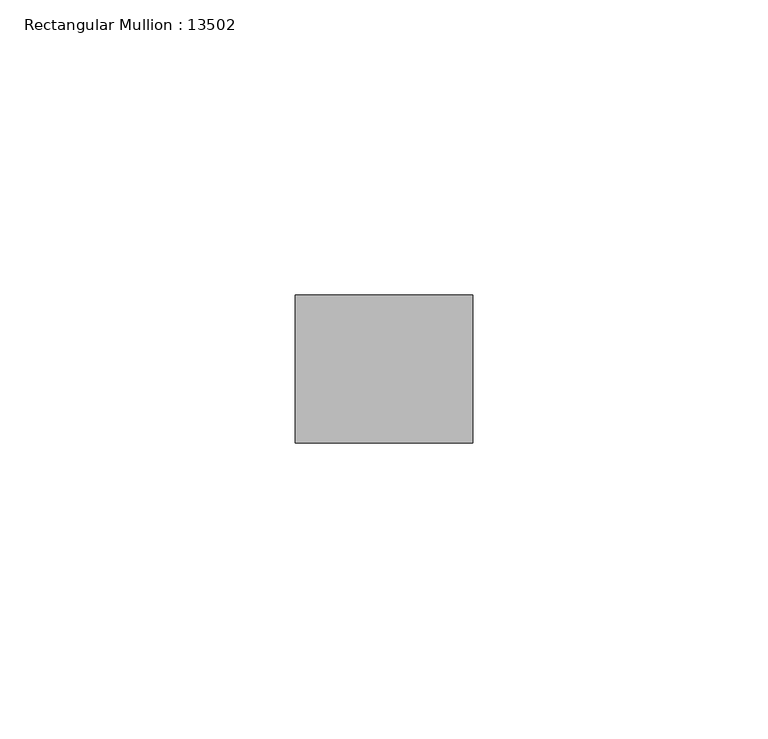
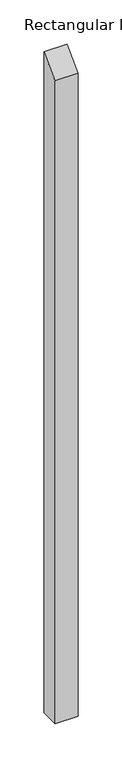
"""IFC4 building model written with IfcOpenShell, lengths in millimetres: member geometry, Rectangular Mullion : 13502."""

import ifcopenshell
import ifcopenshell.guid

model = None  # the IFC model being written
_history = None  # IfcOwnerHistory: only IFC2X3 demands one
_inside = {}  # id of a spatial element -> (the spatial element, [elements in it])
_under = {}  # id of a project, library or spatial element -> (it, [spatial elements below it])
_declared = {}  # id of a project -> (the project, [libraries it declares])
_typed = {}  # id of a type object -> (the type object, [elements of that type])
_made_of = {}  # id of a material, layer set ... -> (it, [elements and type objects made of it])


def new_model(schema):
    """Start an empty IFC model of exactly this schema.

    Asked for "IFC4X3", IfcOpenShell would pick the latest addendum, in which some entities
    have other attributes; the version numbers below select the first issue.
    IFC2X3 requires an IfcOwnerHistory on every rooted entity: one is made here for all.
    """
    global model, _history
    if schema == "IFC4X3":
        model = ifcopenshell.file(schema_version=(4, 3, 0, 0))
    else:
        model = ifcopenshell.file(schema=schema)
    _inside.clear()
    _under.clear()
    _declared.clear()
    _typed.clear()
    _made_of.clear()
    _history = None
    if model.schema == "IFC2X3":
        org = make("IfcOrganization", Name="unknown")
        user = make(
            "IfcPersonAndOrganization",
            ThePerson=make("IfcPerson", FamilyName="unknown"),
            TheOrganization=org,
        )
        app = make(
            "IfcApplication",
            ApplicationDeveloper=org,
            Version="unknown",
            ApplicationFullName="unknown",
            ApplicationIdentifier="unknown",
        )
        _history = make(
            "IfcOwnerHistory",
            OwningUser=user,
            OwningApplication=app,
            ChangeAction="ADDED",
            CreationDate=0,
        )
    return model


def make(cls, **values):
    """One entity of the class cls with the attributes given. An attribute that is None is left unset."""
    return model.create_entity(
        cls, **{name: value for name, value in values.items() if value is not None}
    )


def rooted(cls, **values):
    """An entity with a GlobalId (a new one), such as an element, a storey or a relation."""
    return make(cls, GlobalId=ifcopenshell.guid.new(), OwnerHistory=_history, **values)


def si_unit(unit_type, name, prefix=None):
    """IfcSIUnit, for example si_unit("LENGTHUNIT", "METRE", prefix="MILLI")."""
    return make("IfcSIUnit", UnitType=unit_type, Prefix=prefix, Name=name)


def assignment(units):
    """IfcUnitAssignment: the units of a project."""
    return None if units is None else make("IfcUnitAssignment", Units=units)


def point(xyz):
    """IfcCartesianPoint."""
    return None if xyz is None else make("IfcCartesianPoint", Coordinates=xyz)


def direction(xyz):
    """IfcDirection."""
    return None if xyz is None else make("IfcDirection", DirectionRatios=xyz)


def frame(location, z_axis=None, x_axis=None):
    """IfcAxis2Placement3D, a coordinate frame: its origin and axes. An axis left out is left unset."""
    return make(
        "IfcAxis2Placement3D",
        Location=point(location),
        Axis=direction(z_axis),
        RefDirection=direction(x_axis),
    )


def origin():
    """The frame at (0, 0, 0) with its axes left unset."""
    return frame((0.0, 0.0, 0.0))


def place(relative_to, where):
    """IfcLocalPlacement: puts the frame where relative to a parent placement (None: the world)."""
    return make(
        "IfcLocalPlacement", PlacementRelTo=relative_to, RelativePlacement=where
    )


def context(
    kind, dimensions, precision=None, world=None, true_north=None, identifier=None
):
    """IfcGeometricRepresentationContext, for example the 3D "Model" context."""
    return make(
        "IfcGeometricRepresentationContext",
        ContextIdentifier=identifier,
        ContextType=kind,
        CoordinateSpaceDimension=dimensions,
        Precision=precision,
        WorldCoordinateSystem=world,
        TrueNorth=true_north,
    )


def project(units=None, contexts=None):
    """IfcProject with its units and contexts."""
    return rooted(
        "IfcProject",
        Name="project",
        RepresentationContexts=contexts,
        UnitsInContext=assignment(units),
    )


def spatial(cls, under=None, at=None, **own):
    """A site, building, storey or space (cls), placed at a placement, below another one or the project."""
    s = rooted(cls, ObjectPlacement=at, **own)
    if under is not None:
        _under.setdefault(under.id(), (under, []))[1].append(s)
    return s


def polyline(points):
    """IfcPolyline through the points."""
    return make("IfcPolyline", Points=[point(p) for p in points])


def outline(outer, holes=None, kind="AREA"):
    """IfcArbitraryClosedProfileDef: a profile drawn as a closed curve; with holes, ...WithVoids."""
    if holes is None:
        return make("IfcArbitraryClosedProfileDef", ProfileType=kind, OuterCurve=outer)
    return make(
        "IfcArbitraryProfileDefWithVoids",
        ProfileType=kind,
        OuterCurve=outer,
        InnerCurves=holes,
    )


def extrude(swept, where, along, depth):
    """IfcExtrudedAreaSolid: the profile swept, set in the frame where, extruded along a direction by depth."""
    return make(
        "IfcExtrudedAreaSolid",
        SweptArea=swept,
        Position=where,
        ExtrudedDirection=direction(along),
        Depth=depth,
    )


def shape(context_of_items, identifier, shape_type, items):
    """IfcShapeRepresentation: the items that make up one representation, for example the "Body"."""
    return make(
        "IfcShapeRepresentation",
        ContextOfItems=context_of_items,
        RepresentationIdentifier=identifier,
        RepresentationType=shape_type,
        Items=items,
    )


def source(mapping_origin, context_of_items, identifier, shape_type, items):
    """IfcRepresentationMap: a shape defined once, which mapped items show again and again."""
    return make(
        "IfcRepresentationMap",
        MappingOrigin=mapping_origin,
        MappedRepresentation=shape(context_of_items, identifier, shape_type, items),
    )


def transform(
    local_origin,
    x_axis=None,
    y_axis=None,
    z_axis=None,
    scale=None,
    scale2=None,
    scale3=None,
    uniform=True,
):
    """IfcCartesianTransformationOperator3D, or its non-uniform kind. x_axis, y_axis, z_axis: its Axis1, 2, 3."""
    if uniform:
        return make(
            "IfcCartesianTransformationOperator3D",
            Axis1=direction(x_axis),
            Axis2=direction(y_axis),
            LocalOrigin=point(local_origin),
            Scale=scale,
            Axis3=direction(z_axis),
        )
    return make(
        "IfcCartesianTransformationOperator3DnonUniform",
        Axis1=direction(x_axis),
        Axis2=direction(y_axis),
        LocalOrigin=point(local_origin),
        Scale=scale,
        Axis3=direction(z_axis),
        Scale2=scale2,
        Scale3=scale3,
    )


def mapped(mapping_source, mapping_target):
    """IfcMappedItem: shows the shape of a source again, moved by a transform."""
    return make(
        "IfcMappedItem", MappingSource=mapping_source, MappingTarget=mapping_target
    )


def made_of(thing, what):
    """Note that an element or type object is made of a material, layer set ...; save() writes the relation."""
    if what is not None:
        _made_of.setdefault(what.id(), (what, []))[1].append(thing)
    return thing


def element(
    cls,
    number,
    at=None,
    inside=None,
    cuts=None,
    type_object=None,
    material=None,
    context=None,
    identifier="Body",
    shape_type=None,
    held_by="IfcProductDefinitionShape",
    body=None,
    shapes=None,
    **own,
):
    """One element of the class cls, such as IfcWall. Its Tag is "e" and its number.

    at: its placement. inside: the storey or other place that contains it. cuts: it is an
    opening in that element (IfcRelVoidsElement). A single representation is given by context,
    identifier, shape_type and body (its items); several are given by shapes. held_by: the class
    of the entity that holds the representations. save() writes the other relations.
    """
    e = rooted(cls, Tag="e%d" % number, ObjectPlacement=at, **own)
    if body is not None:
        shapes = [shape(context, identifier, shape_type, body)]
    if shapes is not None:
        e.Representation = make(held_by, Representations=shapes)
    if inside is not None:
        _inside.setdefault(inside.id(), (inside, []))[1].append(e)
    if cuts is not None:
        rooted(
            "IfcRelVoidsElement", RelatingBuildingElement=cuts, RelatedOpeningElement=e
        )
    if type_object is not None:
        _typed.setdefault(type_object.id(), (type_object, []))[1].append(e)
    return made_of(e, material)


def aggregate(whole, parts):
    """IfcRelAggregates: a whole, such as a stair, and the parts it consists of."""
    return rooted("IfcRelAggregates", RelatingObject=whole, RelatedObjects=parts)


def save(model, path):
    """Write the relations noted so far, then the file.

    IfcRelAggregates (storeys below a building ...), IfcRelContainedInSpatialStructure (elements
    in a storey), IfcRelDefinesByType, IfcRelAssociatesMaterial and IfcRelDeclares: one each for
    every whole, place, type object, material and project.
    """
    for whole, parts in _under.values():
        aggregate(whole, parts)
    for where, things in _inside.values():
        rooted(
            "IfcRelContainedInSpatialStructure",
            RelatedElements=things,
            RelatingStructure=where,
        )
    for kind, things in _typed.values():
        rooted("IfcRelDefinesByType", RelatedObjects=things, RelatingType=kind)
    for what, things in _made_of.values():
        rooted("IfcRelAssociatesMaterial", RelatedObjects=things, RelatingMaterial=what)
    for by, libraries in _declared.values():
        rooted("IfcRelDeclares", RelatingContext=by, RelatedDefinitions=libraries)
    model.write(path)


def rectangular_mullion_13502_2f835f03(model_context):
    return source(origin(), model_context, "Body", "SweptSolid", [
        extrude(outline(polyline([(-12.5, -12.5), (12.5, 12.5), (12.5, -900.0), (-12.5, -900.0), (-12.5, -12.5)])), frame((-29.9999993, 0.0, 0.0), z_axis=(1.0, 0.0, 0.0), x_axis=(0.0, 1.0, 0.0)), (0.0, 0.0, 1.0), 29.9999993),
    ])


if __name__ == "__main__":
    model = new_model("IFC4")
    model_context = context("Model", 3, world=origin())
    ifc_project = project(units=[si_unit("LENGTHUNIT", "METRE", prefix="MILLI")], contexts=[model_context])
    site = spatial("IfcSite", under=ifc_project)
    building = spatial("IfcBuilding", under=site)
    placement = place(None, origin())
    rectangular_mullion_13502_shape = rectangular_mullion_13502_2f835f03(model_context)
    element("IfcMember", 1, ObjectType="Rectangular Mullion : 13502", at=placement, inside=building, context=model_context, shape_type="MappedRepresentation", body=[
        mapped(rectangular_mullion_13502_shape, transform((0.0, 0.0, 0.0), x_axis=(1.0, 0.0, 0.0), y_axis=(0.0, 1.0, 0.0), z_axis=(0.0, 0.0, 1.0))),
    ])
    save(model, "model.ifc")
